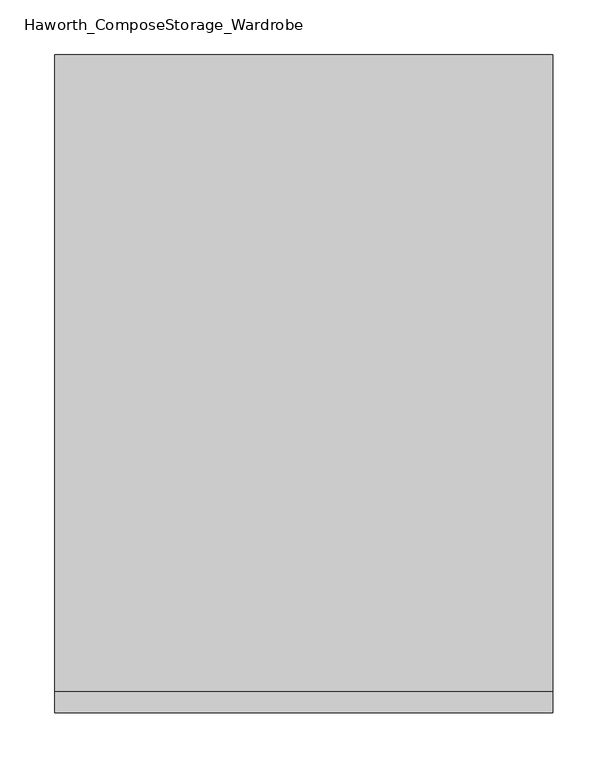
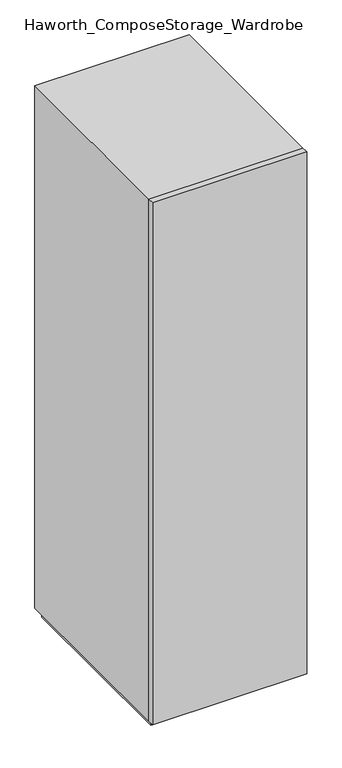
"""IFC4 building model written with IfcOpenShell, lengths in millimetres: furniture geometry, Haworth_ComposeStorage_Wardrobe."""

from ifc_helpers import new_model, si_unit, frame, origin, origin_with_axes, place, context, project, spatial, polyline, outline, extrude, faceted_brep, source, transform, mapped, element, save


def haworth_composestorage_wardrobe_b9c84d67(model_context):
    return source(origin(), model_context, "Body", "SolidModel", [
        extrude(outline(polyline([(227.0263906, -309.5625), (-226.9986094, -309.5625), (-226.9986094, -290.5125), (227.0263906, -290.5125), (227.0263906, -309.5625)])), frame((0.0, 0.0, 25.4), z_axis=(0.0, 0.0, 1.0), x_axis=(1.0, 0.0, 0.0)), (0.0, 0.0, 1.0), 1625.6),
        faceted_brep([(-226.9986094, -290.5125, 25.4), (227.0263906, -290.5125, 25.4), (227.0263906, -290.5125, 1651.0), (-226.9986094, -290.5125, 1651.0), (-207.9486094, -290.5125, 44.45), (-207.9486094, -290.5125, 1631.95), (207.9486094, -290.5125, 1631.95), (207.9486094, -290.5125, 44.45), (-226.9986094, 290.5125, 25.4), (-226.9986094, 290.5125, 1651.0), (227.0263906, 290.5125, 1651.0), (227.0263906, 290.5125, 25.4), (-207.9486094, 271.4625, 44.45), (-207.9486094, 271.4625, 1631.95), (207.9486094, 271.4625, 1631.95), (207.9486094, 271.4625, 44.45)], [[[0, 1, 2, 3], [4, 5, 6, 7]], [[8, 9, 10, 11]], [[1, 0, 8, 11]], [[2, 1, 11, 10]], [[3, 2, 10, 9]], [[0, 3, 9, 8]], [[5, 4, 12, 13]], [[6, 5, 13, 14]], [[7, 6, 14, 15]], [[4, 7, 15, 12]], [[13, 12, 15, 14]]]),
        extrude(outline(polyline([(214.3263906, -277.8125), (-214.2986094, -277.8125), (-214.2986094, 277.8125), (214.3263906, 277.8125), (214.3263906, -277.8125)])), origin_with_axes(), (0.0, 0.0, 1.0), 25.4),
    ])


if __name__ == "__main__":
    model = new_model("IFC4")
    model_context = context("Model", 3, world=origin())
    ifc_project = project(units=[si_unit("LENGTHUNIT", "METRE", prefix="MILLI")], contexts=[model_context])
    site = spatial("IfcSite", under=ifc_project)
    building = spatial("IfcBuilding", under=site)
    placement = place(None, origin())
    haworth_composestorage_wardrobe_shape = haworth_composestorage_wardrobe_b9c84d67(model_context)
    element("IfcFurniture", 1, ObjectType="Haworth_ComposeStorage_Wardrobe", at=placement, inside=building, context=model_context, shape_type="MappedRepresentation", body=[
        mapped(haworth_composestorage_wardrobe_shape, transform((0.0, 0.0, 0.0), x_axis=(1.0, 0.0, 0.0), y_axis=(0.0, 1.0, 0.0), z_axis=(0.0, 0.0, 1.0))),
    ])
    save(model, "model.ifc")
